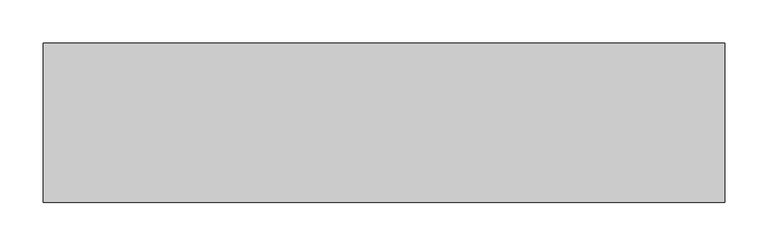
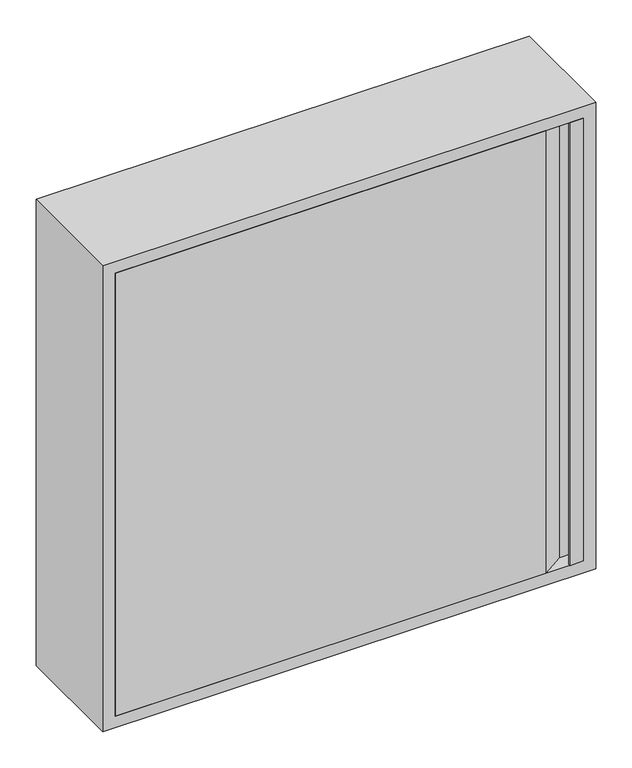
"""IFC4 building model written with IfcOpenShell, lengths in millimetres: fire suppression terminal geometry."""

from ifc_helpers import new_model, si_unit, point, frame, frame_2d, origin, place, context, project, spatial, polyline, circle_curve, trimmed, segment, composite_curve, outline, extrude, faceted_brep, source, transform, mapped, element, save
from ifc_brep_helpers import plane_surface, revolved_surface, advanced_brep


def fire_suppression_terminal_8abbb6ad(model_context):
    return source(origin(), model_context, "Body", "SolidModel", [
        extrude(outline(composite_curve([segment(trimmed(circle_curve(frame_2d((-354.9676042, 162.0)), 3.007614), [point((-351.9599902, 162.0))], [point((-357.9752181, 162.0))], False, "CARTESIAN"), True, "CONTINUOUS"), segment(trimmed(circle_curve(frame_2d((-354.9676042, 162.0)), 3.007614), [point((-357.9752181, 162.0))], [point((-351.9599902, 162.0))], False, "CARTESIAN"), True, "CONTINUOUS")], self_intersect=False)), frame((0.0, 0.0, -365.1374166), z_axis=(0.0, 0.0, 1.0), x_axis=(1.0, 0.0, 0.0)), (0.0, 0.0, 1.0), 10.0),
        extrude(outline(polyline([(353.0, -3.0), (353.0, 0.0), (354.5, 0.0), (354.5, -1.5), (373.5, -1.5), (373.5, 20.5), (350.0, 20.5), (315.0, -3.0), (-375.0, -3.0), (-375.0, 22.0), (-373.5, 22.0), (-373.5, -1.5), (314.5431419, -1.5), (349.5431419, 22.0), (375.0, 22.0), (375.0, -3.0), (353.0, -3.0)])), frame((0.0, 0.0, -375.0), z_axis=(0.0, 0.0, 1.0), x_axis=(1.0, 0.0, 0.0)), (0.0, 0.0, 1.0), 750.0),
        advanced_brep(
        [(-375.0, 22.0, 375.0), (-375.0, -3.0, 375.0), (-375.0, -3.0, -375.0), (-375.0, 22.0, -375.0), (-376.5, -1.5, 376.5), (-376.5, 22.0, 376.5), (-376.5, 22.0, -376.5), (-376.5, -1.5, -376.5), (-393.5, 180.5, 393.5), (-393.5, -1.5, 393.5), (-393.5, -1.5, -393.5), (-393.5, 180.5, -393.5), (-375.0, 182.0, 375.0), (-375.0, 180.5, 375.0), (-375.0, 180.5, -375.0), (-375.0, 182.0, -375.0), (-395.0, -3.0, 395.0), (-395.0, 182.0, 395.0), (-395.0, 182.0, -395.0), (-395.0, -3.0, -395.0), (375.0, -3.0, -375.0), (375.0, 22.0, -375.0), (376.5, 22.0, -376.5), (376.5, -1.5, -376.5), (393.5, -1.5, -393.5), (393.5, 180.5, -393.5), (-354.9676042, 180.5, -393.5), (-354.9676042, 143.5, -393.5), (-354.9676042, 180.5, -375.0), (375.0, 180.5, -375.0), (375.0, 182.0, -375.0), (395.0, 182.0, -395.0), (395.0, -3.0, -395.0), (-354.9676042, 180.5, -395.0), (-354.9676042, 143.5, -395.0), (375.0, -3.0, 375.0), (375.0, 22.0, 375.0), (376.5, 22.0, 376.5), (376.5, -1.5, 376.5), (393.5, -1.5, 393.5), (393.5, 180.5, 393.5), (375.0, 180.5, 375.0), (375.0, 182.0, 375.0), (395.0, 182.0, 395.0), (395.0, -3.0, 395.0)],
        [
            (0, 1),
            (1, 2),
            (2, 3),
            (3, 0),
            (4, 5),
            (5, 6),
            (6, 7),
            (7, 4),
            (8, 9),
            (9, 10),
            (10, 11),
            (11, 8),
            (12, 13),
            (13, 14),
            (14, 15),
            (15, 12),
            (16, 17),
            (17, 18),
            (18, 19),
            (19, 16),
            (2, 20),
            (20, 21),
            (21, 3),
            (6, 22),
            (22, 23),
            (23, 7),
            (10, 24),
            (24, 25),
            (25, 26),
            (26, 27, circle_curve(frame((-354.9676042, 162.0, -393.5), z_axis=(0.0, 0.0, -1.0), x_axis=(0.0, 1.0, 0.0)), 18.5)),
            (27, 26, circle_curve(frame((-354.9676042, 162.0, -393.5), z_axis=(0.0, 0.0, -1.0), x_axis=(0.0, 1.0, 0.0)), 18.5)),
            (26, 11),
            (14, 28),
            (28, 29),
            (29, 30),
            (30, 15),
            (18, 31),
            (31, 32),
            (32, 19),
            (33, 34, circle_curve(frame((-354.9676042, 162.0, -395.0), z_axis=(0.0, 0.0, 1.0), x_axis=(0.0, 1.0, 0.0)), 18.5)),
            (34, 33, circle_curve(frame((-354.9676042, 162.0, -395.0), z_axis=(0.0, 0.0, 1.0), x_axis=(0.0, 1.0, 0.0)), 18.5)),
            (20, 35),
            (35, 36),
            (36, 21),
            (22, 37),
            (37, 38),
            (38, 23),
            (24, 39),
            (39, 40),
            (40, 25),
            (29, 41),
            (41, 42),
            (42, 30),
            (31, 43),
            (43, 44),
            (44, 32),
            (0, 36),
            (35, 1),
            (5, 37),
            (4, 38),
            (9, 39),
            (8, 40),
            (13, 41),
            (12, 42),
            (17, 43),
            (16, 44),
            (27, 34),
            (33, 26),
        ],
        [
            plane_surface(frame((-375.0, -3.0, 375.0), z_axis=(1.0, 0.0, 0.0), x_axis=(0.0, 0.0, -1.0))),
            plane_surface(frame((-376.5, 22.0, 376.5), z_axis=(-1.0, 0.0, 0.0), x_axis=(0.0, 0.0, -1.0))),
            plane_surface(frame((-393.5, -1.5, 393.5), z_axis=(1.0, 0.0, 0.0), x_axis=(0.0, 0.0, -1.0))),
            plane_surface(frame((-375.0, 180.5, 375.0), z_axis=(1.0, 0.0, 0.0), x_axis=(0.0, 0.0, -1.0))),
            plane_surface(frame((-395.0, 182.0, 395.0), z_axis=(-1.0, 0.0, 0.0), x_axis=(0.0, 0.0, -1.0))),
            plane_surface(frame((-375.0, -3.0, -375.0), z_axis=(0.0, 0.0, 1.0), x_axis=(1.0, 0.0, 0.0))),
            plane_surface(frame((-376.5, 22.0, -376.5), z_axis=(0.0, 0.0, -1.0), x_axis=(1.0, 0.0, 0.0))),
            plane_surface(frame((-393.5, -1.5, -393.5), z_axis=(0.0, 0.0, 1.0), x_axis=(1.0, 0.0, 0.0))),
            plane_surface(frame((-375.0, 180.5, -375.0), z_axis=(0.0, 0.0, 1.0), x_axis=(1.0, 0.0, 0.0))),
            plane_surface(frame((-395.0, 182.0, -395.0), z_axis=(0.0, 0.0, -1.0), x_axis=(1.0, 0.0, 0.0))),
            plane_surface(frame((375.0, -3.0, -375.0), z_axis=(-1.0, 0.0, 0.0), x_axis=(0.0, 0.0, 1.0))),
            plane_surface(frame((376.5, 22.0, -376.5), z_axis=(1.0, 0.0, 0.0), x_axis=(0.0, 0.0, 1.0))),
            plane_surface(frame((393.5, -1.5, -393.5), z_axis=(-1.0, 0.0, 0.0), x_axis=(0.0, 0.0, 1.0))),
            plane_surface(frame((375.0, 180.5, -375.0), z_axis=(-1.0, 0.0, 0.0), x_axis=(0.0, 0.0, 1.0))),
            plane_surface(frame((395.0, 182.0, -395.0), z_axis=(1.0, 0.0, 0.0), x_axis=(0.0, 0.0, 1.0))),
            plane_surface(frame((375.0, -3.0, 375.0), z_axis=(0.0, 0.0, -1.0), x_axis=(-1.0, 0.0, 0.0))),
            plane_surface(frame((375.0, 22.0, 375.0), z_axis=(0.0, 1.0, 0.0), x_axis=(-1.0, 0.0, 0.0))),
            plane_surface(frame((376.5, 22.0, 376.5), z_axis=(0.0, 0.0, 1.0), x_axis=(-1.0, 0.0, 0.0))),
            plane_surface(frame((376.5, -1.5, 376.5), z_axis=(0.0, 1.0, 0.0), x_axis=(-1.0, 0.0, 0.0))),
            plane_surface(frame((393.5, -1.5, 393.5), z_axis=(0.0, 0.0, -1.0), x_axis=(-1.0, 0.0, 0.0))),
            plane_surface(frame((393.5, 180.5, 393.5), z_axis=(0.0, -1.0, 0.0), x_axis=(-1.0, 0.0, 0.0))),
            plane_surface(frame((375.0, 180.5, 375.0), z_axis=(0.0, 0.0, -1.0), x_axis=(-1.0, 0.0, 0.0))),
            plane_surface(frame((375.0, 182.0, 375.0), z_axis=(0.0, 1.0, 0.0), x_axis=(-1.0, 0.0, 0.0))),
            plane_surface(frame((395.0, 182.0, 395.0), z_axis=(0.0, 0.0, 1.0), x_axis=(-1.0, 0.0, 0.0))),
            plane_surface(frame((395.0, -3.0, 395.0), z_axis=(0.0, -1.0, 0.0), x_axis=(-1.0, 0.0, 0.0))),
            revolved_surface(polyline([(-354.9676042, 180.5, -395.0), (-354.9676042, 180.5, -393.5)]), (-354.9676042, 162.0, -335.1374166), (0.0, 0.0, -1.0)),
        ],
        [
            (0, [[1, 2, 3, 4]]),
            (1, [[5, 6, 7, 8]]),
            (2, [[9, 10, 11, 12]]),
            (3, [[13, 14, 15, 16]]),
            (4, [[17, 18, 19, 20]]),
            (5, [[-3, 21, 22, 23]]),
            (6, [[-7, 24, 25, 26]]),
            (7, [[-11, 27, 28, 29, 30, 31, 32]]),
            (8, [[-15, 33, 34, 35, 36]]),
            (9, [[-19, 37, 38, 39], [40, 41]]),
            (10, [[-22, 42, 43, 44]]),
            (11, [[-25, 45, 46, 47]]),
            (12, [[-28, 48, 49, 50]]),
            (13, [[-35, 51, 52, 53]]),
            (14, [[-38, 54, 55, 56]]),
            (15, [[-1, 57, -43, 58]]),
            (16, [[-6, 59, -45, -24], [-4, -23, -44, -57]]),
            (17, [[-5, 60, -46, -59]]),
            (18, [[-10, 61, -48, -27], [-8, -26, -47, -60]]),
            (19, [[-9, 62, -49, -61]]),
            (20, [[-12, -32, -29, -50, -62], [-14, 63, -51, -34, -33]]),
            (21, [[-13, 64, -52, -63]]),
            (22, [[-18, 65, -54, -37], [-16, -36, -53, -64]]),
            (23, [[-17, 66, -55, -65]]),
            (24, [[-20, -39, -56, -66], [-2, -58, -42, -21]]),
            (25, [[67, -40, 68, -31]]),
            (25, [[-67, -30, -68, -41]]),
        ],
    ),
        faceted_brep([(395.0, 180.5, 395.0), (-395.0, 180.5, 395.0), (-395.0, 180.5, -395.0), (-354.9676042, 180.5, -395.0), (395.0, 180.5, -395.0), (395.0, 182.0, 395.0), (395.0, 182.0, -395.0), (-395.0, 182.0, -395.0), (-395.0, 182.0, 395.0)], [[[0, 1, 2, 3, 4]], [[5, 6, 7, 8]], [[1, 0, 5, 8]], [[2, 1, 8, 7]], [[7, 6, 4, 3, 2]], [[0, 4, 6, 5]]]),
    ])


if __name__ == "__main__":
    model = new_model("IFC4")
    model_context = context("Model", 3, world=origin())
    ifc_project = project(units=[si_unit("LENGTHUNIT", "METRE", prefix="MILLI")], contexts=[model_context])
    site = spatial("IfcSite", under=ifc_project)
    building = spatial("IfcBuilding", under=site)
    placement = place(None, origin())
    fire_suppression_terminal_shape = fire_suppression_terminal_8abbb6ad(model_context)
    element("IfcFireSuppressionTerminal", 1, at=placement, inside=building, context=model_context, shape_type="MappedRepresentation", body=[
        mapped(fire_suppression_terminal_shape, transform((0.0, 0.0, 0.0), x_axis=(1.0, 0.0, 0.0), y_axis=(0.0, 1.0, 0.0), z_axis=(0.0, 0.0, 1.0))),
    ])
    save(model, "model.ifc")
